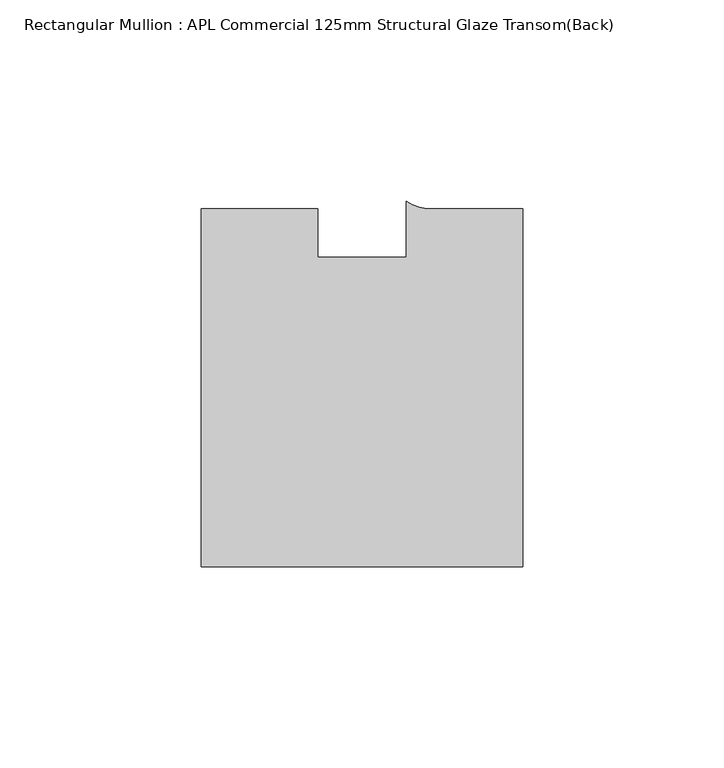
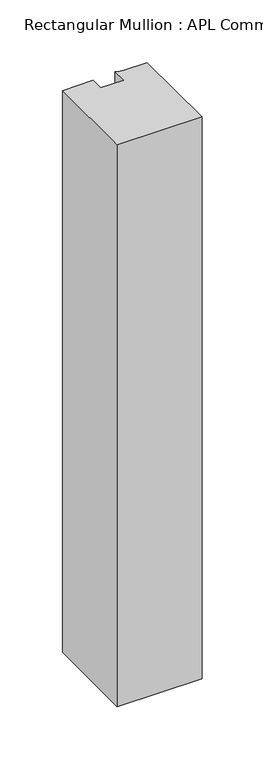
"""IFC4 building model written with IfcOpenShell, lengths in millimetres: member geometry, Rectangular Mullion : APL Commercial 125mm Structural Glaze Transom(Back)."""

import ifcopenshell
import ifcopenshell.guid

model = None  # the IFC model being written
_history = None  # IfcOwnerHistory: only IFC2X3 demands one
_inside = {}  # id of a spatial element -> (the spatial element, [elements in it])
_under = {}  # id of a project, library or spatial element -> (it, [spatial elements below it])
_declared = {}  # id of a project -> (the project, [libraries it declares])
_typed = {}  # id of a type object -> (the type object, [elements of that type])
_made_of = {}  # id of a material, layer set ... -> (it, [elements and type objects made of it])


def new_model(schema):
    """Start an empty IFC model of exactly this schema.

    Asked for "IFC4X3", IfcOpenShell would pick the latest addendum, in which some entities
    have other attributes; the version numbers below select the first issue.
    IFC2X3 requires an IfcOwnerHistory on every rooted entity: one is made here for all.
    """
    global model, _history
    if schema == "IFC4X3":
        model = ifcopenshell.file(schema_version=(4, 3, 0, 0))
    else:
        model = ifcopenshell.file(schema=schema)
    _inside.clear()
    _under.clear()
    _declared.clear()
    _typed.clear()
    _made_of.clear()
    _history = None
    if model.schema == "IFC2X3":
        org = make("IfcOrganization", Name="unknown")
        user = make(
            "IfcPersonAndOrganization",
            ThePerson=make("IfcPerson", FamilyName="unknown"),
            TheOrganization=org,
        )
        app = make(
            "IfcApplication",
            ApplicationDeveloper=org,
            Version="unknown",
            ApplicationFullName="unknown",
            ApplicationIdentifier="unknown",
        )
        _history = make(
            "IfcOwnerHistory",
            OwningUser=user,
            OwningApplication=app,
            ChangeAction="ADDED",
            CreationDate=0,
        )
    return model


def make(cls, **values):
    """One entity of the class cls with the attributes given. An attribute that is None is left unset."""
    return model.create_entity(
        cls, **{name: value for name, value in values.items() if value is not None}
    )


def rooted(cls, **values):
    """An entity with a GlobalId (a new one), such as an element, a storey or a relation."""
    return make(cls, GlobalId=ifcopenshell.guid.new(), OwnerHistory=_history, **values)


def si_unit(unit_type, name, prefix=None):
    """IfcSIUnit, for example si_unit("LENGTHUNIT", "METRE", prefix="MILLI")."""
    return make("IfcSIUnit", UnitType=unit_type, Prefix=prefix, Name=name)


def assignment(units):
    """IfcUnitAssignment: the units of a project."""
    return None if units is None else make("IfcUnitAssignment", Units=units)


def point(xyz):
    """IfcCartesianPoint."""
    return None if xyz is None else make("IfcCartesianPoint", Coordinates=xyz)


def direction(xyz):
    """IfcDirection."""
    return None if xyz is None else make("IfcDirection", DirectionRatios=xyz)


def frame(location, z_axis=None, x_axis=None):
    """IfcAxis2Placement3D, a coordinate frame: its origin and axes. An axis left out is left unset."""
    return make(
        "IfcAxis2Placement3D",
        Location=point(location),
        Axis=direction(z_axis),
        RefDirection=direction(x_axis),
    )


def frame_2d(location, x_axis=None):
    """IfcAxis2Placement2D, a coordinate frame in the plane: its origin and x axis."""
    return make(
        "IfcAxis2Placement2D", Location=point(location), RefDirection=direction(x_axis)
    )


def origin():
    """The frame at (0, 0, 0) with its axes left unset."""
    return frame((0.0, 0.0, 0.0))


def place(relative_to, where):
    """IfcLocalPlacement: puts the frame where relative to a parent placement (None: the world)."""
    return make(
        "IfcLocalPlacement", PlacementRelTo=relative_to, RelativePlacement=where
    )


def context(
    kind, dimensions, precision=None, world=None, true_north=None, identifier=None
):
    """IfcGeometricRepresentationContext, for example the 3D "Model" context."""
    return make(
        "IfcGeometricRepresentationContext",
        ContextIdentifier=identifier,
        ContextType=kind,
        CoordinateSpaceDimension=dimensions,
        Precision=precision,
        WorldCoordinateSystem=world,
        TrueNorth=true_north,
    )


def project(units=None, contexts=None):
    """IfcProject with its units and contexts."""
    return rooted(
        "IfcProject",
        Name="project",
        RepresentationContexts=contexts,
        UnitsInContext=assignment(units),
    )


def spatial(cls, under=None, at=None, **own):
    """A site, building, storey or space (cls), placed at a placement, below another one or the project."""
    s = rooted(cls, ObjectPlacement=at, **own)
    if under is not None:
        _under.setdefault(under.id(), (under, []))[1].append(s)
    return s


def polyline(points):
    """IfcPolyline through the points."""
    return make("IfcPolyline", Points=[point(p) for p in points])


def circle_curve(where, radius):
    """IfcCircle in the frame where."""
    return make("IfcCircle", Position=where, Radius=radius)


def trimmed(basis, trim1, trim2, sense, master):
    """IfcTrimmedCurve: the piece of a basis curve between two trims."""
    return make(
        "IfcTrimmedCurve",
        BasisCurve=basis,
        Trim1=trim1,
        Trim2=trim2,
        SenseAgreement=sense,
        MasterRepresentation=master,
    )


def segment(curve, same_sense, transition):
    """IfcCompositeCurveSegment."""
    return make(
        "IfcCompositeCurveSegment",
        Transition=transition,
        SameSense=same_sense,
        ParentCurve=curve,
    )


def composite_curve(segments, self_intersect=None):
    """IfcCompositeCurve: segments joined end to end."""
    return make("IfcCompositeCurve", Segments=segments, SelfIntersect=self_intersect)


def outline(outer, holes=None, kind="AREA"):
    """IfcArbitraryClosedProfileDef: a profile drawn as a closed curve; with holes, ...WithVoids."""
    if holes is None:
        return make("IfcArbitraryClosedProfileDef", ProfileType=kind, OuterCurve=outer)
    return make(
        "IfcArbitraryProfileDefWithVoids",
        ProfileType=kind,
        OuterCurve=outer,
        InnerCurves=holes,
    )


def extrude(swept, where, along, depth):
    """IfcExtrudedAreaSolid: the profile swept, set in the frame where, extruded along a direction by depth."""
    return make(
        "IfcExtrudedAreaSolid",
        SweptArea=swept,
        Position=where,
        ExtrudedDirection=direction(along),
        Depth=depth,
    )


def shape(context_of_items, identifier, shape_type, items):
    """IfcShapeRepresentation: the items that make up one representation, for example the "Body"."""
    return make(
        "IfcShapeRepresentation",
        ContextOfItems=context_of_items,
        RepresentationIdentifier=identifier,
        RepresentationType=shape_type,
        Items=items,
    )


def source(mapping_origin, context_of_items, identifier, shape_type, items):
    """IfcRepresentationMap: a shape defined once, which mapped items show again and again."""
    return make(
        "IfcRepresentationMap",
        MappingOrigin=mapping_origin,
        MappedRepresentation=shape(context_of_items, identifier, shape_type, items),
    )


def transform(
    local_origin,
    x_axis=None,
    y_axis=None,
    z_axis=None,
    scale=None,
    scale2=None,
    scale3=None,
    uniform=True,
):
    """IfcCartesianTransformationOperator3D, or its non-uniform kind. x_axis, y_axis, z_axis: its Axis1, 2, 3."""
    if uniform:
        return make(
            "IfcCartesianTransformationOperator3D",
            Axis1=direction(x_axis),
            Axis2=direction(y_axis),
            LocalOrigin=point(local_origin),
            Scale=scale,
            Axis3=direction(z_axis),
        )
    return make(
        "IfcCartesianTransformationOperator3DnonUniform",
        Axis1=direction(x_axis),
        Axis2=direction(y_axis),
        LocalOrigin=point(local_origin),
        Scale=scale,
        Axis3=direction(z_axis),
        Scale2=scale2,
        Scale3=scale3,
    )


def mapped(mapping_source, mapping_target):
    """IfcMappedItem: shows the shape of a source again, moved by a transform."""
    return make(
        "IfcMappedItem", MappingSource=mapping_source, MappingTarget=mapping_target
    )


def made_of(thing, what):
    """Note that an element or type object is made of a material, layer set ...; save() writes the relation."""
    if what is not None:
        _made_of.setdefault(what.id(), (what, []))[1].append(thing)
    return thing


def element(
    cls,
    number,
    at=None,
    inside=None,
    cuts=None,
    type_object=None,
    material=None,
    context=None,
    identifier="Body",
    shape_type=None,
    held_by="IfcProductDefinitionShape",
    body=None,
    shapes=None,
    **own,
):
    """One element of the class cls, such as IfcWall. Its Tag is "e" and its number.

    at: its placement. inside: the storey or other place that contains it. cuts: it is an
    opening in that element (IfcRelVoidsElement). A single representation is given by context,
    identifier, shape_type and body (its items); several are given by shapes. held_by: the class
    of the entity that holds the representations. save() writes the other relations.
    """
    e = rooted(cls, Tag="e%d" % number, ObjectPlacement=at, **own)
    if body is not None:
        shapes = [shape(context, identifier, shape_type, body)]
    if shapes is not None:
        e.Representation = make(held_by, Representations=shapes)
    if inside is not None:
        _inside.setdefault(inside.id(), (inside, []))[1].append(e)
    if cuts is not None:
        rooted(
            "IfcRelVoidsElement", RelatingBuildingElement=cuts, RelatedOpeningElement=e
        )
    if type_object is not None:
        _typed.setdefault(type_object.id(), (type_object, []))[1].append(e)
    return made_of(e, material)


def aggregate(whole, parts):
    """IfcRelAggregates: a whole, such as a stair, and the parts it consists of."""
    return rooted("IfcRelAggregates", RelatingObject=whole, RelatedObjects=parts)


def save(model, path):
    """Write the relations noted so far, then the file.

    IfcRelAggregates (storeys below a building ...), IfcRelContainedInSpatialStructure (elements
    in a storey), IfcRelDefinesByType, IfcRelAssociatesMaterial and IfcRelDeclares: one each for
    every whole, place, type object, material and project.
    """
    for whole, parts in _under.values():
        aggregate(whole, parts)
    for where, things in _inside.values():
        rooted(
            "IfcRelContainedInSpatialStructure",
            RelatedElements=things,
            RelatingStructure=where,
        )
    for kind, things in _typed.values():
        rooted("IfcRelDefinesByType", RelatedObjects=things, RelatingType=kind)
    for what, things in _made_of.values():
        rooted("IfcRelAssociatesMaterial", RelatedObjects=things, RelatingMaterial=what)
    for by, libraries in _declared.values():
        rooted("IfcRelDeclares", RelatingContext=by, RelatedDefinitions=libraries)
    model.write(path)


def rectangular_mullion_apl_commercial_125mm_structural_glaze_f1cd6770(model_context):
    return source(origin(), model_context, "Body", "SweptSolid", [
        extrude(outline(composite_curve([segment(polyline([(40.0, -104.0), (-40.0, -104.0), (-40.0, -15.0000829), (-11.0000151, -15.0000829), (-11.0000151, -27.0), (11.0000151, -27.0), (11.0000151, -13.0673455)]), True, "CONTINUOUS"), segment(trimmed(circle_curve(frame_2d((17.1097719, -4.581653)), 10.4563907), [point((11.0000151, -13.0673455))], [point((17.9999542, -15.0000829))], True, "CARTESIAN"), True, "CONTINUOUS"), segment(polyline([(17.9999542, -15.0000829), (40.0, -15.0000829), (40.0, -104.0)]), True, "CONTINUOUS")], self_intersect=False)), frame((0.0, 0.0, -559.2000713), z_axis=(0.0, 0.0, 1.0), x_axis=(1.0, 0.0, 0.0)), (0.0, 0.0, 1.0), 559.2000713),
    ])


if __name__ == "__main__":
    model = new_model("IFC4")
    model_context = context("Model", 3, world=origin())
    ifc_project = project(units=[si_unit("LENGTHUNIT", "METRE", prefix="MILLI")], contexts=[model_context])
    site = spatial("IfcSite", under=ifc_project)
    building = spatial("IfcBuilding", under=site)
    placement = place(None, origin())
    rectangular_mullion_apl_commercial_125mm_structural_glaze_shape = rectangular_mullion_apl_commercial_125mm_structural_glaze_f1cd6770(model_context)
    element("IfcMember", 1, ObjectType="Rectangular Mullion : APL Commercial 125mm Structural Glaze Transom(Back)", at=placement, inside=building, context=model_context, shape_type="MappedRepresentation", body=[
        mapped(rectangular_mullion_apl_commercial_125mm_structural_glaze_shape, transform((0.0, 0.0, 0.0), x_axis=(1.0, 0.0, 0.0), y_axis=(0.0, 1.0, 0.0), z_axis=(0.0, 0.0, 1.0))),
    ])
    save(model, "model.ifc")
